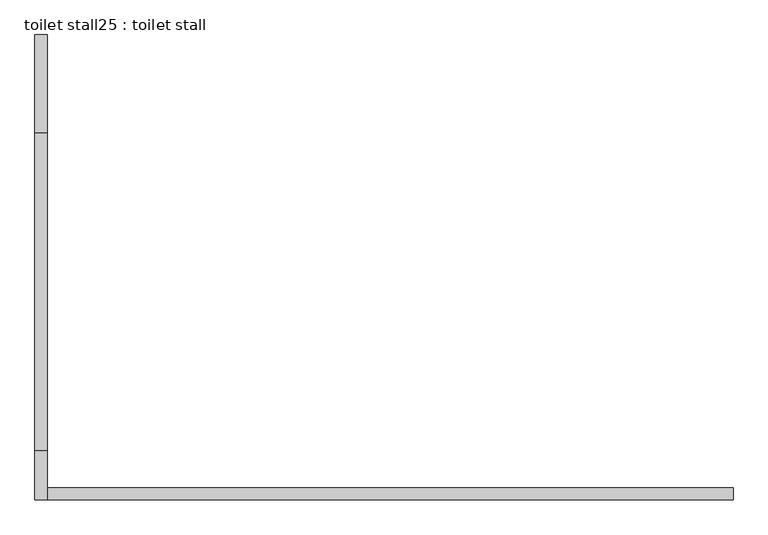
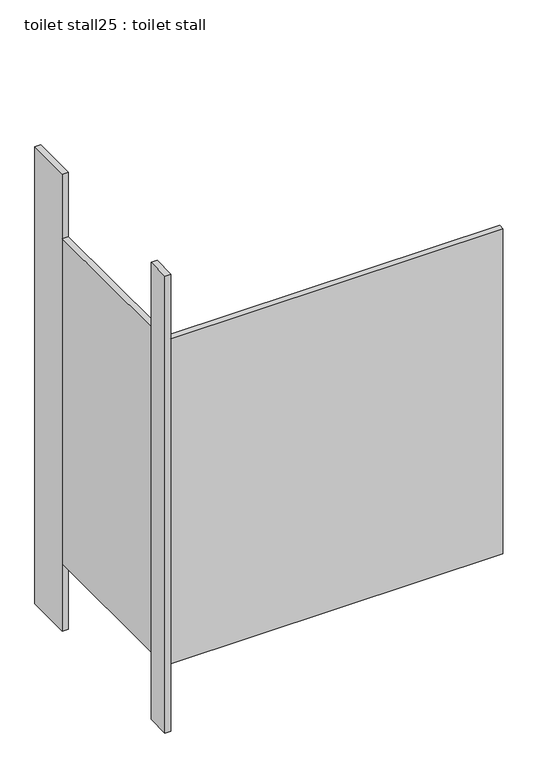
"""IFC4 building model written with IfcOpenShell, lengths in millimetres: proxy geometry, toilet stall25 : toilet stall."""

from ifc_helpers import new_model, si_unit, frame, origin, origin_with_axes, place, context, project, spatial, polyline, outline, extrude, source, transform, mapped, element, save


def toilet_stall25_toilet_stall_db03ac59(model_context):
    return source(origin(), model_context, "Body", "SweptSolid", [
        extrude(outline(polyline([(454658.2004676, -334225.1205223), (454632.8004676, -334225.1205223), (454632.8004676, -334021.9205223), (454658.2004676, -334021.9205223), (454658.2004676, -334225.1205223)])), origin_with_axes(), (0.0, 0.0, 1.0), 2070.1),
        extrude(outline(polyline([(454658.2004676, -334987.1205223), (454632.8004676, -334987.1205223), (454632.8004676, -334885.5205223), (454658.2004676, -334885.5205223), (454658.2004676, -334987.1205223)])), origin_with_axes(), (0.0, 0.0, 1.0), 2070.1),
        extrude(outline(polyline([(454658.2004676, -334987.1205223), (454658.2004676, -334961.7205223), (456080.6004676, -334961.7205223), (456080.6004676, -334987.1205223), (454658.2004676, -334987.1205223)])), frame((0.0, 0.0, 304.8), z_axis=(0.0, 0.0, 1.0), x_axis=(1.0, 0.0, 0.0)), (0.0, 0.0, 1.0), 1473.2),
        extrude(outline(polyline([(454658.2004676, -334885.5205223), (454632.8004676, -334885.5205223), (454632.8004676, -334225.1205223), (454658.2004676, -334225.1205223), (454658.2004676, -334885.5205223)])), frame((0.0, 0.0, 304.8), z_axis=(0.0, 0.0, 1.0), x_axis=(1.0, 0.0, 0.0)), (0.0, 0.0, 1.0), 1473.2),
    ])


if __name__ == "__main__":
    model = new_model("IFC4")
    model_context = context("Model", 3, world=origin())
    ifc_project = project(units=[si_unit("LENGTHUNIT", "METRE", prefix="MILLI")], contexts=[model_context])
    site = spatial("IfcSite", under=ifc_project)
    building = spatial("IfcBuilding", under=site)
    placement = place(None, origin())
    toilet_stall25_toilet_stall_shape = toilet_stall25_toilet_stall_db03ac59(model_context)
    element("IfcBuildingElementProxy", 1, Name="toilet stall25 : toilet stall", ObjectType="toilet stall25 : toilet stall", at=placement, inside=building, context=model_context, shape_type="MappedRepresentation", body=[
        mapped(toilet_stall25_toilet_stall_shape, transform((0.0, 0.0, 0.0), x_axis=(1.0, 0.0, 0.0), y_axis=(0.0, 1.0, 0.0), z_axis=(0.0, 0.0, 1.0))),
    ])
    save(model, "model.ifc")
